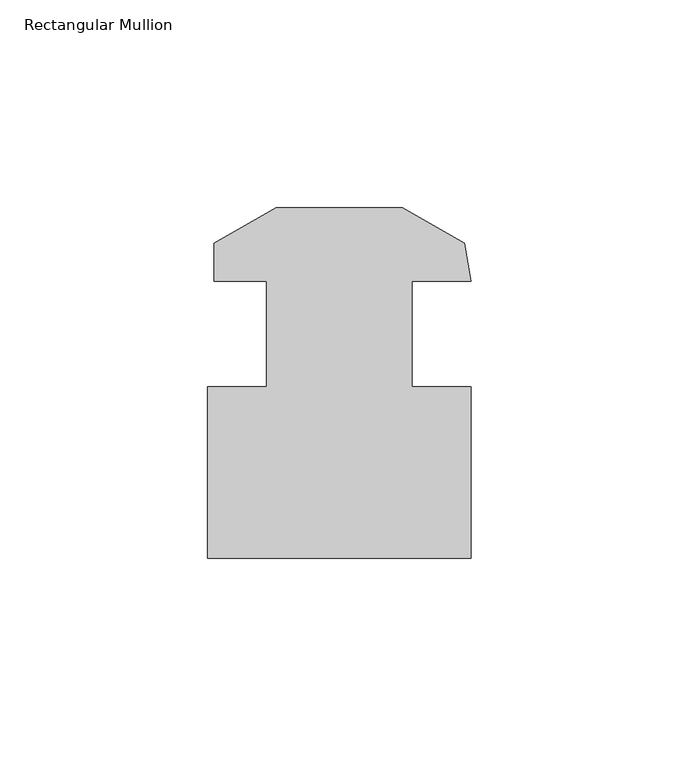
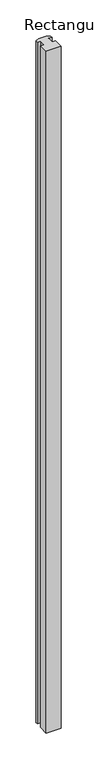
"""IFC4 building model written with IfcOpenShell, lengths in millimetres: member geometry, Rectangular Mullion."""

from ifc_helpers import new_model, si_unit, frame, origin, place, context, project, spatial, polyline, outline, extrude, source, transform, mapped, element, save


def rectangular_mullion_35060c6a(model_context):
    return source(origin(), model_context, "Body", "SweptSolid", [
        extrude(outline(polyline([(-4.096956, -53.9602111), (-67.596956, -53.9602111), (-67.596956, -12.6852111), (-53.309456, -12.6852111), (-53.309456, 12.7147889), (-65.9499667, 12.7147889), (-65.9499667, 21.8572066), (-51.099656, 30.4308317), (-20.594256, 30.4310857), (-5.7051014, 21.8350346), (-4.096956, 12.7147889), (-18.384456, 12.7147889), (-18.384456, -12.6852111), (-4.096956, -12.6852111), (-4.096956, -53.9602111)])), frame((0.0, 0.0, -3048.0), z_axis=(0.0, 0.0, 1.0), x_axis=(1.0, 0.0, 0.0)), (0.0, 0.0, 1.0), 3048.0),
    ])


if __name__ == "__main__":
    model = new_model("IFC4")
    model_context = context("Model", 3, world=origin())
    ifc_project = project(units=[si_unit("LENGTHUNIT", "METRE", prefix="MILLI")], contexts=[model_context])
    site = spatial("IfcSite", under=ifc_project)
    building = spatial("IfcBuilding", under=site)
    placement = place(None, origin())
    rectangular_mullion_shape = rectangular_mullion_35060c6a(model_context)
    element("IfcMember", 1, ObjectType="Rectangular Mullion", at=placement, inside=building, context=model_context, shape_type="MappedRepresentation", body=[
        mapped(rectangular_mullion_shape, transform((0.0, 0.0, 0.0), x_axis=(1.0, 0.0, 0.0), y_axis=(0.0, 1.0, 0.0), z_axis=(0.0, 0.0, 1.0))),
    ])
    save(model, "model.ifc")
